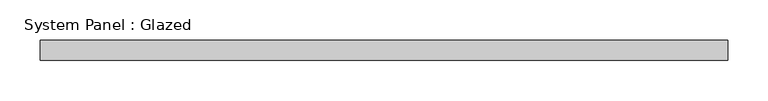
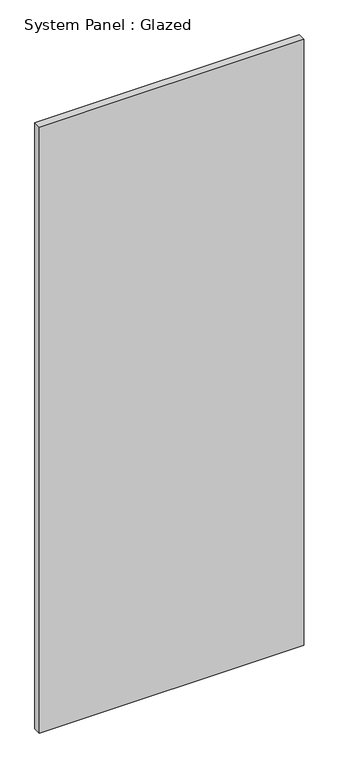
"""IFC4 building model written with IfcOpenShell, lengths in millimetres: plate geometry, System Panel : Glazed."""

from ifc_helpers import new_model, si_unit, origin, origin_with_axes, place, context, project, spatial, polyline, outline, extrude, source, transform, mapped, element, save


def system_panel_glazed_3259e107(model_context):
    return source(origin(), model_context, "Body", "SweptSolid", [
        extrude(outline(polyline([(428.625, -44.45), (-428.625, -44.45), (-428.625, -19.05), (428.625, -19.05), (428.625, -44.45)])), origin_with_axes(), (0.0, 0.0, 1.0), 2076.45),
    ])


if __name__ == "__main__":
    model = new_model("IFC4")
    model_context = context("Model", 3, world=origin())
    ifc_project = project(units=[si_unit("LENGTHUNIT", "METRE", prefix="MILLI")], contexts=[model_context])
    site = spatial("IfcSite", under=ifc_project)
    building = spatial("IfcBuilding", under=site)
    placement = place(None, origin())
    system_panel_glazed_shape = system_panel_glazed_3259e107(model_context)
    element("IfcPlate", 1, ObjectType="System Panel : Glazed", at=placement, inside=building, context=model_context, shape_type="MappedRepresentation", body=[
        mapped(system_panel_glazed_shape, transform((0.0, 0.0, 0.0), x_axis=(1.0, 0.0, 0.0), y_axis=(0.0, 1.0, 0.0), z_axis=(0.0, 0.0, 1.0))),
    ])
    save(model, "model.ifc")
